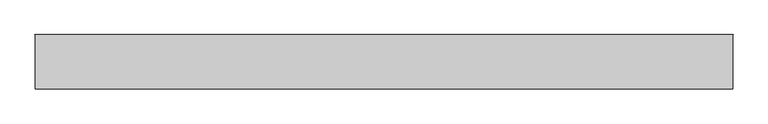
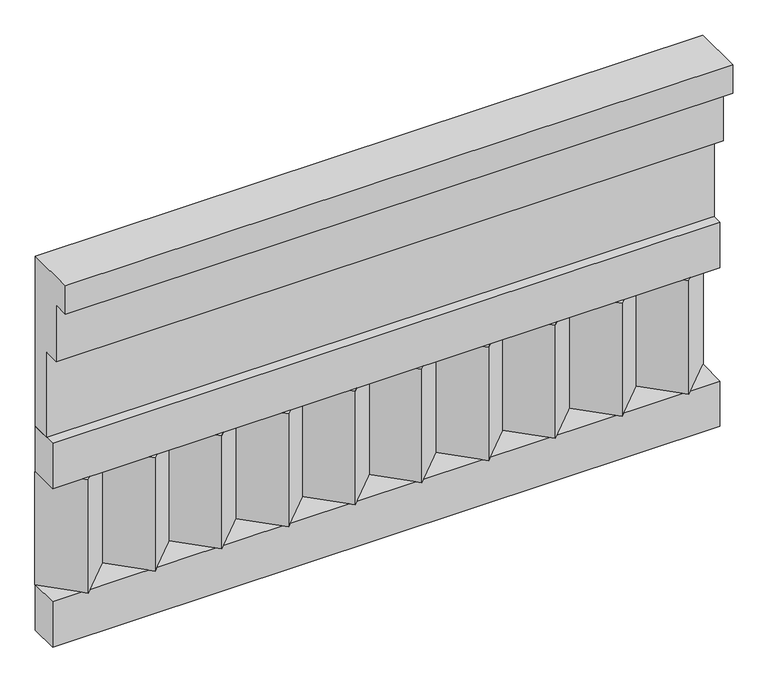
"""IFC4 building model written with IfcOpenShell, lengths in millimetres: railing geometry."""

from ifc_helpers import new_model, si_unit, frame, origin, place, context, project, spatial, polyline, outline, extrude, source, transform, mapped, element, save


def railing_9d74c2be(model_context):
    return source(origin(), model_context, "Body", "SweptSolid", [
        extrude(outline(polyline([(-16816.8920513, 25100.0), (-16816.8920513, 24650.0), (-16866.8920513, 24650.0), (-16866.8920513, 24875.0), (-16906.8920513, 24875.0), (-16906.8920513, 25025.0), (-16946.8920513, 25025.0), (-16946.8920513, 25100.0), (-16816.8920513, 25100.0)])), frame((-33139.9887159, 0.0, 0.0), z_axis=(1.0, 0.0, 0.0), x_axis=(0.0, 1.0, 0.0)), (0.0, 0.0, 1.0), 1670.0),
        extrude(outline(polyline([(-33139.9887159, -16891.8920513), (-33139.9887159, -16816.8920513), (-31469.9887159, -16816.8920513), (-31469.9887159, -16891.8920513), (-33139.9887159, -16891.8920513)])), frame((0.0, 0.0, 24530.0), z_axis=(0.0, 0.0, 1.0), x_axis=(1.0, 0.0, 0.0)), (0.0, 0.0, 1.0), 120.0),
        extrude(outline(polyline([(-33139.9887159, -16891.8920513), (-33139.9887159, -16816.8920513), (-31469.9887159, -16816.8920513), (-31469.9887159, -16891.8920513), (-33139.9887159, -16891.8920513)])), frame((0.0, 0.0, 24110.0), z_axis=(0.0, 0.0, 1.0), x_axis=(1.0, 0.0, 0.0)), (0.0, 0.0, 1.0), 120.0),
        extrude(outline(polyline([(-31553.4887159, -16901.7448651), (-31638.3415296, -16816.8920513), (-31468.6359022, -16816.8920513), (-31553.4887159, -16901.7448651)])), frame((0.0, 0.0, 24230.0), z_axis=(0.0, 0.0, 1.0), x_axis=(1.0, 0.0, 0.0)), (0.0, 0.0, 1.0), 300.0),
        extrude(outline(polyline([(-31720.4887159, -16901.7448651), (-31805.3415296, -16816.8920513), (-31635.6359022, -16816.8920513), (-31720.4887159, -16901.7448651)])), frame((0.0, 0.0, 24230.0), z_axis=(0.0, 0.0, 1.0), x_axis=(1.0, 0.0, 0.0)), (0.0, 0.0, 1.0), 300.0),
        extrude(outline(polyline([(-31887.4887159, -16901.7448651), (-31972.3415296, -16816.8920513), (-31802.6359022, -16816.8920513), (-31887.4887159, -16901.7448651)])), frame((0.0, 0.0, 24230.0), z_axis=(0.0, 0.0, 1.0), x_axis=(1.0, 0.0, 0.0)), (0.0, 0.0, 1.0), 300.0),
        extrude(outline(polyline([(-32054.4887159, -16901.7448651), (-32139.3415296, -16816.8920513), (-31969.6359022, -16816.8920513), (-32054.4887159, -16901.7448651)])), frame((0.0, 0.0, 24230.0), z_axis=(0.0, 0.0, 1.0), x_axis=(1.0, 0.0, 0.0)), (0.0, 0.0, 1.0), 300.0),
        extrude(outline(polyline([(-32221.4887159, -16901.7448651), (-32306.3415296, -16816.8920513), (-32136.6359022, -16816.8920513), (-32221.4887159, -16901.7448651)])), frame((0.0, 0.0, 24230.0), z_axis=(0.0, 0.0, 1.0), x_axis=(1.0, 0.0, 0.0)), (0.0, 0.0, 1.0), 300.0),
        extrude(outline(polyline([(-32388.4887159, -16901.7448651), (-32473.3415296, -16816.8920513), (-32303.6359022, -16816.8920513), (-32388.4887159, -16901.7448651)])), frame((0.0, 0.0, 24230.0), z_axis=(0.0, 0.0, 1.0), x_axis=(1.0, 0.0, 0.0)), (0.0, 0.0, 1.0), 300.0),
        extrude(outline(polyline([(-32555.4887159, -16901.7448651), (-32640.3415296, -16816.8920513), (-32470.6359022, -16816.8920513), (-32555.4887159, -16901.7448651)])), frame((0.0, 0.0, 24230.0), z_axis=(0.0, 0.0, 1.0), x_axis=(1.0, 0.0, 0.0)), (0.0, 0.0, 1.0), 300.0),
        extrude(outline(polyline([(-32722.4887159, -16901.7448651), (-32807.3415296, -16816.8920513), (-32637.6359022, -16816.8920513), (-32722.4887159, -16901.7448651)])), frame((0.0, 0.0, 24230.0), z_axis=(0.0, 0.0, 1.0), x_axis=(1.0, 0.0, 0.0)), (0.0, 0.0, 1.0), 300.0),
        extrude(outline(polyline([(-32889.4887159, -16901.7448651), (-32974.3415296, -16816.8920513), (-32804.6359022, -16816.8920513), (-32889.4887159, -16901.7448651)])), frame((0.0, 0.0, 24230.0), z_axis=(0.0, 0.0, 1.0), x_axis=(1.0, 0.0, 0.0)), (0.0, 0.0, 1.0), 300.0),
        extrude(outline(polyline([(-33056.4887159, -16901.7448651), (-33141.3415296, -16816.8920513), (-32971.6359022, -16816.8920513), (-33056.4887159, -16901.7448651)])), frame((0.0, 0.0, 24230.0), z_axis=(0.0, 0.0, 1.0), x_axis=(1.0, 0.0, 0.0)), (0.0, 0.0, 1.0), 300.0),
    ])


if __name__ == "__main__":
    model = new_model("IFC4")
    model_context = context("Model", 3, world=origin())
    ifc_project = project(units=[si_unit("LENGTHUNIT", "METRE", prefix="MILLI")], contexts=[model_context])
    site = spatial("IfcSite", under=ifc_project)
    building = spatial("IfcBuilding", under=site)
    placement = place(None, origin())
    railing_shape = railing_9d74c2be(model_context)
    element("IfcRailing", 1, at=placement, inside=building, context=model_context, shape_type="MappedRepresentation", body=[
        mapped(railing_shape, transform((0.0, 0.0, 0.0), x_axis=(1.0, 0.0, 0.0), y_axis=(0.0, 1.0, 0.0), z_axis=(0.0, 0.0, 1.0))),
    ])
    save(model, "model.ifc")
